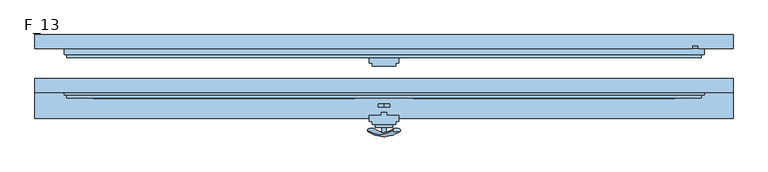
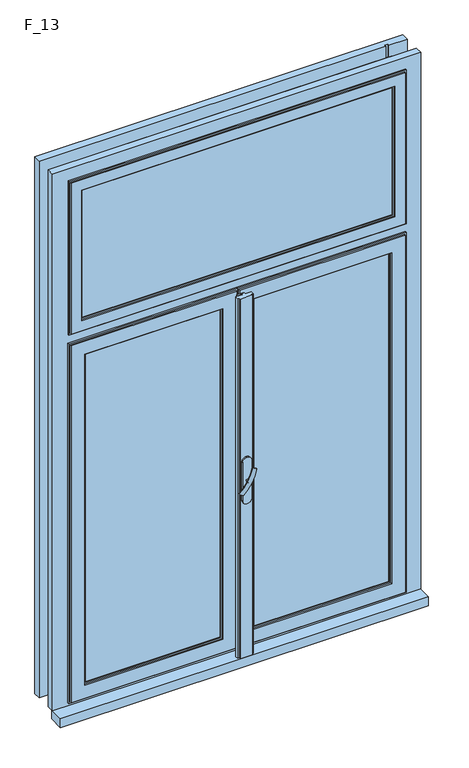
"""IFC4 building model written with IfcOpenShell, lengths in millimetres: window geometry, F_13."""

from ifc_helpers import new_model, si_unit, point, frame, frame_2d, origin, place, context, project, spatial, polyline, circle_curve, ellipse_curve, trimmed, segment, composite_curve, outline, extrude, faceted_brep, source, transform, mapped, element, save
from ifc_brep_helpers import plane_surface, revolved_surface, advanced_brep


def f_13_c3f956f2(model_context):
    return source(origin(), model_context, "Body", "SolidModel", [
        advanced_brep(
        [(-28.5497704, -90.2287724, 1428.0503471), (-14.693364, -90.2287724, 1420.0503471), (14.693364, -90.2287724, 1502.9496529), (28.5497704, -90.2287724, 1494.9496529)],
        [
            (0, 1, ellipse_curve(frame((-21.6215672, -90.2287724, 1424.0503471), z_axis=(-0.46984631039295827, 0.3420201433256777, -0.8137976813493676), x_axis=(0.8660254037844349, 0.0, -0.5000000000000066)), 8.0, 3.5)),
            (1, 0, ellipse_curve(frame((-21.6215672, -90.2287724, 1424.0503471), z_axis=(-0.46984631039295827, 0.3420201433256777, -0.8137976813493676), x_axis=(0.8660254037844349, 0.0, -0.5000000000000066)), 8.0, 3.5)),
            (2, 3, ellipse_curve(frame((21.6215672, -90.2287724, 1498.9496529), z_axis=(0.46984631039296154, 0.3420201433256599, 0.8137976813493732), x_axis=(0.8660254037844355, 0.0, -0.5000000000000056)), 8.0, 3.5)),
            (3, 2, ellipse_curve(frame((21.6215672, -90.2287724, 1498.9496529), z_axis=(0.46984631039296154, 0.3420201433256599, 0.8137976813493732), x_axis=(0.8660254037844355, 0.0, -0.5000000000000056)), 8.0, 3.5)),
            (3, 1, circle_curve(frame((6.9282032, 28.580763, 1457.5), z_axis=(0.8660254037844353, 0.0, -0.500000000000006), x_axis=(-0.1710100716628409, -0.9396926207859051, -0.29619813272603046)), 126.4344667)),
            (0, 2, circle_curve(frame((-6.9282032, 28.580763, 1465.5), z_axis=(-0.8660254037844353, 0.0, 0.500000000000006), x_axis=(-0.1710100716628409, -0.9396926207859051, -0.29619813272603046)), 126.4344667)),
        ],
        [
            plane_surface(frame((40.0926994, -87.5471681, 1389.5466142), z_axis=(-0.4698463103929582, 0.34202014332567776, -0.8137976813493677), x_axis=(-0.8660254037844352, 0.0, 0.500000000000006))),
            plane_surface(frame((82.3598097, -87.5471681, 1462.7553967), z_axis=(0.4698463103929615, 0.34202014332565983, 0.8137976813493734), x_axis=(-0.8660254037844352, 0.0, 0.500000000000006))),
            revolved_surface(trimmed(ellipse_curve(frame((-21.6215672, -90.2287724, 1424.0503471), z_axis=(-0.46984631039295827, 0.3420201433256777, -0.8137976813493676), x_axis=(0.8660254037844349, 0.0, -0.5000000000000066)), 8.0, 3.5), [point((-28.5497704, -90.2287724, 1428.0503471))], [point((-14.693364, -90.2287724, 1420.0503471))], True, "CARTESIAN"), (61.2262546, 28.580763, 1426.1510055), (-0.8660254037844353, 0.0, 0.500000000000006)),
            revolved_surface(trimmed(ellipse_curve(frame((-21.6215672, -90.2287724, 1424.0503471), z_axis=(-0.46984631039295827, 0.3420201433256777, -0.8137976813493676), x_axis=(0.8660254037844349, 0.0, -0.5000000000000066)), 8.0, 3.5), [point((-14.693364, -90.2287724, 1420.0503471))], [point((-28.5497704, -90.2287724, 1428.0503471))], True, "CARTESIAN"), (61.2262546, 28.580763, 1426.1510055), (-0.8660254037844353, 0.0, 0.500000000000006)),
        ],
        [
            (0, [[1, 2]]),
            (1, [[3, 4]]),
            (2, [[5, -1, 6, -4]]),
            (3, [[-6, -2, -5, -3]]),
        ],
    ),
        extrude(outline(composite_curve([segment(trimmed(circle_curve(frame_2d((1461.5, 0.0)), 3.5), [point((1461.5, -3.5))], [point((1461.5, 3.5))], False, "CARTESIAN"), True, "CONTINUOUS"), segment(trimmed(circle_curve(frame_2d((1461.5, 0.0)), 3.5), [point((1461.5, 3.5))], [point((1461.5, -3.5))], False, "CARTESIAN"), True, "CONTINUOUS")], self_intersect=False)), frame((0.0, -95.0, 0.0), z_axis=(0.0, 1.0, 0.0), x_axis=(0.0, 0.0, 1.0)), (0.0, 0.0, 1.0), 10.0),
        extrude(outline(composite_curve([segment(polyline([(1525.8020109, -15.0), (1395.8020109, -15.0)]), True, "CONTINUOUS"), segment(trimmed(circle_curve(frame_2d((1395.8020109, 0.0)), 15.0), [point((1395.8020109, -15.0))], [point((1395.8020109, 15.0))], False, "CARTESIAN"), True, "CONTINUOUS"), segment(polyline([(1395.8020109, 15.0), (1525.8020109, 15.0)]), True, "CONTINUOUS"), segment(trimmed(circle_curve(frame_2d((1525.8020109, 0.0)), 15.0), [point((1525.8020109, 15.0))], [point((1525.8020109, -15.0))], False, "CARTESIAN"), True, "CONTINUOUS")], self_intersect=False)), frame((0.0, -85.0, 0.0), z_axis=(0.0, 1.0, 0.0), x_axis=(0.0, 0.0, 1.0)), (0.0, 0.0, 1.0), 5.0),
        faceted_brep([(-0.5, 55.0, 2090.0), (-10.0, 55.0, 2090.0), (-10.0, 50.0, 2090.0), (-550.0, 50.0, 2090.0), (-550.0, 40.0, 2090.0), (0.0, 40.0, 2090.0), (0.0, 50.0, 2090.0), (-0.5, 50.0, 2090.0), (-0.5, 55.0, 850.0), (-0.5, 50.0, 850.0), (0.0, 50.0, 850.0), (0.0, 40.0, 850.0), (-550.0, 40.0, 850.0), (-550.0, 50.0, 850.0), (-10.0, 50.0, 850.0), (-10.0, 55.0, 850.0), (-10.0, 55.0, 860.0), (-540.0, 55.0, 860.0), (-540.0, 55.0, 2080.0), (-10.0, 55.0, 2080.0), (-50.0, 55.0, 900.0), (-50.0, 55.0, 2040.0), (-500.0, 55.0, 2040.0), (-500.0, 55.0, 900.0), (-10.0, 50.0, 2080.0), (-10.0, 50.0, 860.0), (-50.0, 50.0, 2040.0), (-50.0, 50.0, 900.0), (-55.0, 40.0, 2035.0), (-55.0, 50.0, 2035.0), (-55.0, 50.0, 905.0), (-55.0, 40.0, 905.0), (-50.0, 35.0, 2040.0), (-50.0, 40.0, 2040.0), (-50.0, 40.0, 900.0), (-50.0, 35.0, 900.0), (-5.0, 40.0, 2085.0), (-5.0, 35.0, 2085.0), (-5.0, 35.0, 855.0), (-5.0, 40.0, 855.0), (-500.0, 50.0, 900.0), (-495.0, 50.0, 905.0), (-495.0, 40.0, 905.0), (-500.0, 40.0, 900.0), (-500.0, 35.0, 900.0), (-545.0, 35.0, 855.0), (-545.0, 40.0, 855.0), (-540.0, 50.0, 860.0), (-500.0, 50.0, 2040.0), (-495.0, 50.0, 2035.0), (-495.0, 40.0, 2035.0), (-500.0, 40.0, 2040.0), (-500.0, 35.0, 2040.0), (-545.0, 35.0, 2085.0), (-545.0, 40.0, 2085.0), (-540.0, 50.0, 2080.0)], [[[0, 1, 2, 3, 4, 5, 6, 7]], [[8, 9, 10, 11, 12, 13, 14, 15]], [[1, 0, 8, 15, 16, 17, 18, 19], [20, 21, 22, 23]], [[2, 1, 19, 24]], [[15, 14, 25, 16]], [[0, 7, 9, 8]], [[26, 21, 20, 27]], [[28, 29, 30, 31]], [[32, 33, 34, 35]], [[36, 37, 38, 39]], [[6, 5, 11, 10]], [[27, 20, 23, 40]], [[31, 30, 41, 42]], [[35, 34, 43, 44]], [[39, 38, 45, 46]], [[25, 47, 17, 16]], [[40, 23, 22, 48]], [[42, 41, 49, 50]], [[44, 43, 51, 52]], [[46, 45, 53, 54]], [[13, 12, 4, 3]], [[17, 47, 55, 18]], [[21, 26, 48, 22]], [[26, 27, 40, 48], [30, 29, 49, 41]], [[29, 28, 50, 49]], [[34, 33, 51, 43], [28, 31, 42, 50]], [[33, 32, 52, 51]], [[38, 37, 53, 45], [32, 35, 44, 52]], [[37, 36, 54, 53]], [[11, 5, 4, 12], [36, 39, 46, 54]], [[6, 10, 9, 7]], [[47, 25, 14, 13, 3, 2, 24, 55]], [[18, 55, 24, 19]]]),
        faceted_brep([(0.5, 55.0, 2090.0), (0.5, 50.0, 2090.0), (0.0, 50.0, 2090.0), (0.0, 40.0, 2090.0), (550.0, 40.0, 2090.0), (550.0, 50.0, 2090.0), (10.0, 50.0, 2090.0), (10.0, 55.0, 2090.0), (0.5, 55.0, 850.0), (10.0, 55.0, 850.0), (10.0, 50.0, 850.0), (550.0, 50.0, 850.0), (550.0, 40.0, 850.0), (0.0, 40.0, 850.0), (0.0, 50.0, 850.0), (0.5, 50.0, 850.0), (10.0, 55.0, 2080.0), (540.0, 55.0, 2080.0), (540.0, 55.0, 860.0), (10.0, 55.0, 860.0), (50.0, 55.0, 2040.0), (50.0, 55.0, 900.0), (500.0, 55.0, 900.0), (500.0, 55.0, 2040.0), (10.0, 50.0, 2080.0), (10.0, 50.0, 860.0), (50.0, 50.0, 2040.0), (50.0, 50.0, 900.0), (55.0, 50.0, 2035.0), (55.0, 40.0, 2035.0), (55.0, 40.0, 905.0), (55.0, 50.0, 905.0), (50.0, 40.0, 2040.0), (50.0, 35.0, 2040.0), (50.0, 35.0, 900.0), (50.0, 40.0, 900.0), (5.0, 35.0, 2085.0), (5.0, 40.0, 2085.0), (5.0, 40.0, 855.0), (5.0, 35.0, 855.0), (500.0, 50.0, 900.0), (495.0, 40.0, 905.0), (495.0, 50.0, 905.0), (500.0, 35.0, 900.0), (500.0, 40.0, 900.0), (545.0, 40.0, 855.0), (545.0, 35.0, 855.0), (540.0, 50.0, 860.0), (500.0, 50.0, 2040.0), (495.0, 40.0, 2035.0), (495.0, 50.0, 2035.0), (500.0, 35.0, 2040.0), (500.0, 40.0, 2040.0), (545.0, 40.0, 2085.0), (545.0, 35.0, 2085.0), (540.0, 50.0, 2080.0)], [[[0, 1, 2, 3, 4, 5, 6, 7]], [[8, 9, 10, 11, 12, 13, 14, 15]], [[0, 7, 16, 17, 18, 19, 9, 8], [20, 21, 22, 23]], [[7, 6, 24, 16]], [[10, 9, 19, 25]], [[1, 0, 8, 15]], [[20, 26, 27, 21]], [[28, 29, 30, 31]], [[32, 33, 34, 35]], [[36, 37, 38, 39]], [[3, 2, 14, 13]], [[21, 27, 40, 22]], [[31, 30, 41, 42]], [[35, 34, 43, 44]], [[39, 38, 45, 46]], [[19, 18, 47, 25]], [[22, 40, 48, 23]], [[42, 41, 49, 50]], [[44, 43, 51, 52]], [[46, 45, 53, 54]], [[12, 11, 5, 4]], [[47, 18, 17, 55]], [[26, 20, 23, 48]], [[27, 26, 48, 40], [28, 31, 42, 50]], [[29, 28, 50, 49]], [[32, 35, 44, 52], [30, 29, 49, 41]], [[33, 32, 52, 51]], [[36, 39, 46, 54], [34, 33, 51, 43]], [[37, 36, 54, 53]], [[3, 13, 12, 4], [38, 37, 53, 45]], [[14, 2, 1, 15]], [[25, 47, 55, 24, 6, 5, 11, 10]], [[55, 17, 16, 24]]]),
        extrude(outline(polyline([(-55.0, 43.0), (-495.0, 43.0), (-495.0, 47.0), (-55.0, 47.0), (-55.0, 43.0)])), frame((0.0, 0.0, 905.0), z_axis=(0.0, 0.0, 1.0), x_axis=(1.0, 0.0, 0.0)), (0.0, 0.0, 1.0), 1130.0),
        extrude(outline(polyline([(495.0, 43.0), (55.0, 43.0), (55.0, 47.0), (495.0, 47.0), (495.0, 43.0)])), frame((0.0, 0.0, 905.0), z_axis=(0.0, 0.0, 1.0), x_axis=(1.0, 0.0, 0.0)), (0.0, 0.0, 1.0), 1130.0),
        extrude(outline(polyline([(5.0, 40.0), (5.0, 35.0), (25.0, 35.0), (25.0, 25.0), (20.0, 25.0), (20.0, 20.0), (-20.0, 20.0), (-20.0, 25.0), (-25.0, 25.0), (-25.0, 35.0), (-5.0, 35.0), (-5.0, 40.0), (5.0, 40.0)])), frame((0.0, 0.0, 850.0), z_axis=(0.0, 0.0, 1.0), x_axis=(1.0, 0.0, 0.0)), (0.0, 0.0, 1.0), 1240.0),
        faceted_brep([(-50.0, -20.0, 2040.0), (-50.0, -15.0, 2040.0), (-50.0, -15.0, 900.0), (-50.0, -20.0, 900.0), (-55.0, -30.0, 2035.0), (-55.0, -20.0, 2035.0), (-55.0, -20.0, 905.0), (-55.0, -30.0, 905.0), (-50.0, -35.0, 2040.0), (-50.0, -30.0, 2040.0), (-50.0, -30.0, 900.0), (-50.0, -35.0, 900.0), (-5.0, -30.0, 2085.0), (-5.0, -35.0, 2085.0), (-5.0, -35.0, 855.0), (-5.0, -30.0, 855.0), (0.0, -20.0, 2090.0), (0.0, -30.0, 2090.0), (0.0, -30.0, 850.0), (0.0, -20.0, 850.0), (-10.0, -15.0, 2080.0), (-10.0, -20.0, 2080.0), (-10.0, -20.0, 860.0), (-10.0, -15.0, 860.0), (-500.0, -15.0, 900.0), (-500.0, -20.0, 900.0), (-495.0, -20.0, 905.0), (-495.0, -30.0, 905.0), (-500.0, -30.0, 900.0), (-500.0, -35.0, 900.0), (-545.0, -35.0, 855.0), (-545.0, -30.0, 855.0), (-550.0, -30.0, 850.0), (-550.0, -20.0, 850.0), (-540.0, -20.0, 860.0), (-540.0, -15.0, 860.0), (-500.0, -15.0, 2040.0), (-500.0, -20.0, 2040.0), (-495.0, -20.0, 2035.0), (-495.0, -30.0, 2035.0), (-500.0, -30.0, 2040.0), (-500.0, -35.0, 2040.0), (-545.0, -35.0, 2085.0), (-545.0, -30.0, 2085.0), (-550.0, -30.0, 2090.0), (-550.0, -20.0, 2090.0), (-540.0, -20.0, 2080.0), (-540.0, -15.0, 2080.0)], [[[0, 1, 2, 3]], [[4, 5, 6, 7]], [[8, 9, 10, 11]], [[12, 13, 14, 15]], [[16, 17, 18, 19]], [[20, 21, 22, 23]], [[3, 2, 24, 25]], [[7, 6, 26, 27]], [[11, 10, 28, 29]], [[15, 14, 30, 31]], [[19, 18, 32, 33]], [[23, 22, 34, 35]], [[25, 24, 36, 37]], [[27, 26, 38, 39]], [[29, 28, 40, 41]], [[31, 30, 42, 43]], [[33, 32, 44, 45]], [[35, 34, 46, 47]], [[20, 23, 35, 47], [2, 1, 36, 24]], [[1, 0, 37, 36]], [[0, 3, 25, 37], [6, 5, 38, 26]], [[5, 4, 39, 38]], [[10, 9, 40, 28], [4, 7, 27, 39]], [[9, 8, 41, 40]], [[14, 13, 42, 30], [8, 11, 29, 41]], [[13, 12, 43, 42]], [[18, 17, 44, 32], [12, 15, 31, 43]], [[17, 16, 45, 44]], [[16, 19, 33, 45], [22, 21, 46, 34]], [[21, 20, 47, 46]]]),
        faceted_brep([(-0.5, -45.0, 2080.0), (-10.0, -45.0, 2080.0), (-10.0, -50.0, 2080.0), (-0.5, -50.0, 2080.0), (-0.5, -45.0, 850.0), (-0.5, -50.0, 850.0), (-10.0, -50.0, 850.0), (-10.0, -45.0, 850.0)], [[[0, 1, 2, 3]], [[4, 5, 6, 7]], [[1, 0, 4, 7]], [[2, 1, 7, 6]], [[3, 2, 6, 5]], [[0, 3, 5, 4]]]),
        extrude(outline(polyline([(-55.0, -27.0), (-495.0, -27.0), (-495.0, -23.0), (-55.0, -23.0), (-55.0, -27.0)])), frame((0.0, 0.0, 905.0), z_axis=(0.0, 0.0, 1.0), x_axis=(1.0, 0.0, 0.0)), (0.0, 0.0, 1.0), 1130.0),
        extrude(outline(polyline([(495.0, -27.0), (55.0, -27.0), (55.0, -23.0), (495.0, -23.0), (495.0, -27.0)])), frame((0.0, 0.0, 905.0), z_axis=(0.0, 0.0, 1.0), x_axis=(1.0, 0.0, 0.0)), (0.0, 0.0, 1.0), 1130.0),
        faceted_brep([(5.0, -60.0, 2090.0), (-5.0, -60.0, 2090.0), (-5.0, -65.0, 2090.0), (-25.0, -65.0, 2090.0), (-25.0, -75.0, 2090.0), (-20.0, -75.0, 2090.0), (-20.0, -80.0, 2090.0), (20.0, -80.0, 2090.0), (20.0, -75.0, 2090.0), (25.0, -75.0, 2090.0), (25.0, -65.0, 2090.0), (5.0, -65.0, 2090.0), (5.0, -60.0, 850.0), (5.0, -65.0, 850.0), (25.0, -65.0, 850.0), (25.0, -75.0, 850.0), (20.0, -75.0, 850.0), (20.0, -80.0, 850.0), (-20.0, -80.0, 850.0), (-20.0, -75.0, 850.0), (-25.0, -75.0, 850.0), (-25.0, -65.0, 850.0), (-5.0, -65.0, 850.0), (-5.0, -60.0, 850.0)], [[[0, 1, 2, 3, 4, 5, 6, 7, 8, 9, 10, 11]], [[12, 13, 14, 15, 16, 17, 18, 19, 20, 21, 22, 23]], [[1, 0, 12, 23]], [[2, 1, 23, 22]], [[3, 2, 22, 21]], [[4, 3, 21, 20]], [[5, 4, 20, 19]], [[6, 5, 19, 18]], [[7, 6, 18, 17]], [[8, 7, 17, 16]], [[9, 8, 16, 15]], [[10, 9, 15, 14]], [[11, 10, 14, 13]], [[0, 11, 13, 12]]]),
        faceted_brep([(50.0, -15.0, 2040.0), (50.0, -20.0, 2040.0), (50.0, -20.0, 900.0), (50.0, -15.0, 900.0), (55.0, -20.0, 2035.0), (55.0, -30.0, 2035.0), (55.0, -30.0, 905.0), (55.0, -20.0, 905.0), (50.0, -30.0, 2040.0), (50.0, -35.0, 2040.0), (50.0, -35.0, 900.0), (50.0, -30.0, 900.0), (5.0, -35.0, 2085.0), (5.0, -30.0, 2085.0), (5.0, -30.0, 855.0), (5.0, -35.0, 855.0), (0.0, -30.0, 2090.0), (0.0, -20.0, 2090.0), (0.0, -20.0, 850.0), (0.0, -30.0, 850.0), (10.0, -20.0, 2080.0), (10.0, -15.0, 2080.0), (10.0, -15.0, 860.0), (10.0, -20.0, 860.0), (500.0, -20.0, 900.0), (500.0, -15.0, 900.0), (495.0, -30.0, 905.0), (495.0, -20.0, 905.0), (500.0, -35.0, 900.0), (500.0, -30.0, 900.0), (545.0, -30.0, 855.0), (545.0, -35.0, 855.0), (550.0, -20.0, 850.0), (550.0, -30.0, 850.0), (540.0, -15.0, 860.0), (540.0, -20.0, 860.0), (500.0, -20.0, 2040.0), (500.0, -15.0, 2040.0), (495.0, -30.0, 2035.0), (495.0, -20.0, 2035.0), (500.0, -35.0, 2040.0), (500.0, -30.0, 2040.0), (545.0, -30.0, 2085.0), (545.0, -35.0, 2085.0), (550.0, -20.0, 2090.0), (550.0, -30.0, 2090.0), (540.0, -15.0, 2080.0), (540.0, -20.0, 2080.0)], [[[0, 1, 2, 3]], [[4, 5, 6, 7]], [[8, 9, 10, 11]], [[12, 13, 14, 15]], [[16, 17, 18, 19]], [[20, 21, 22, 23]], [[3, 2, 24, 25]], [[7, 6, 26, 27]], [[11, 10, 28, 29]], [[15, 14, 30, 31]], [[19, 18, 32, 33]], [[23, 22, 34, 35]], [[25, 24, 36, 37]], [[27, 26, 38, 39]], [[29, 28, 40, 41]], [[31, 30, 42, 43]], [[33, 32, 44, 45]], [[35, 34, 46, 47]], [[22, 21, 46, 34], [0, 3, 25, 37]], [[1, 0, 37, 36]], [[2, 1, 36, 24], [4, 7, 27, 39]], [[5, 4, 39, 38]], [[8, 11, 29, 41], [6, 5, 38, 26]], [[9, 8, 41, 40]], [[12, 15, 31, 43], [10, 9, 40, 28]], [[13, 12, 43, 42]], [[16, 19, 33, 45], [14, 13, 42, 30]], [[17, 16, 45, 44]], [[18, 17, 44, 32], [20, 23, 35, 47]], [[21, 20, 47, 46]]]),
        faceted_brep([(0.5, -45.0, 2080.0), (0.5, -50.0, 2080.0), (10.0, -50.0, 2080.0), (10.0, -45.0, 2080.0), (0.5, -45.0, 850.0), (10.0, -45.0, 850.0), (10.0, -50.0, 850.0), (0.5, -50.0, 850.0)], [[[0, 1, 2, 3]], [[4, 5, 6, 7]], [[0, 3, 5, 4]], [[3, 2, 6, 5]], [[2, 1, 7, 6]], [[1, 0, 4, 7]]]),
        extrude(outline(polyline([(600.0, -70.0), (-600.0, -70.0), (-600.0, -20.0), (600.0, -20.0), (600.0, -70.0)])), frame((0.0, 0.0, 810.0), z_axis=(0.0, 0.0, 1.0), x_axis=(1.0, 0.0, 0.0)), (0.0, 0.0, 1.0), 30.0),
        faceted_brep([(-600.0, -25.0, 2690.0), (-600.0, -1.0, 2690.0), (-600.0, -1.0, 840.0), (-600.0, -25.0, 840.0), (600.0, -1.0, 2690.0), (600.0, -1.0, 840.0), (540.0, -1.0, 840.0), (540.0, -1.0, 810.0), (-540.0, -1.0, 810.0), (-540.0, -1.0, 840.0), (-530.0, -1.0, 2630.0), (-530.0, -1.0, 2130.0), (530.0, -1.0, 2130.0), (530.0, -1.0, 2630.0), (-530.0, -1.0, 2070.0), (-530.0, -1.0, 870.0), (530.0, -1.0, 870.0), (530.0, -1.0, 2070.0), (-540.0, -25.0, 840.0), (-540.0, -20.0, 840.0), (-540.0, -25.0, 810.0), (540.0, -25.0, 810.0), (540.0, -25.0, 840.0), (600.0, -25.0, 840.0), (600.0, -25.0, 2690.0), (540.0, -25.0, 2080.0), (540.0, -25.0, 860.0), (-540.0, -25.0, 860.0), (-540.0, -25.0, 2080.0), (-540.0, -25.0, 2640.0), (540.0, -25.0, 2640.0), (540.0, -25.0, 2120.0), (-540.0, -25.0, 2120.0), (-530.0, -20.0, 2070.0), (-530.0, -20.0, 870.0), (-530.0, -20.0, 2630.0), (-530.0, -20.0, 2130.0), (530.0, -20.0, 2130.0), (530.0, -20.0, 2630.0), (530.0, -20.0, 2070.0), (530.0, -20.0, 870.0), (540.0, -20.0, 840.0), (-540.0, -20.0, 2640.0), (-540.0, -20.0, 2120.0), (540.0, -20.0, 2120.0), (540.0, -20.0, 2640.0), (540.0, -20.0, 2080.0), (-540.0, -20.0, 2080.0), (-540.0, -20.0, 860.0), (540.0, -20.0, 860.0)], [[[0, 1, 2, 3]], [[2, 1, 4, 5, 6, 7, 8, 9], [10, 11, 12, 13], [14, 15, 16, 17]], [[18, 3, 2, 9, 19]], [[3, 18, 20, 21, 22, 23, 24, 0], [25, 26, 27, 28], [29, 30, 31, 32]], [[14, 33, 34, 15]], [[10, 35, 36, 11]], [[11, 36, 37, 12]], [[13, 12, 37, 38]], [[39, 17, 16, 40]], [[4, 24, 23, 5]], [[5, 23, 22, 41, 6]], [[21, 7, 6, 41, 22]], [[20, 8, 7, 21]], [[8, 20, 18, 19, 9]], [[34, 40, 16, 15]], [[33, 14, 17, 39]], [[42, 43, 44, 45], [36, 35, 38, 37]], [[46, 47, 48, 49], [33, 39, 40, 34]], [[48, 47, 28, 27]], [[42, 29, 32, 43]], [[32, 31, 44, 43]], [[31, 30, 45, 44]], [[25, 46, 49, 26]], [[25, 28, 47, 46]], [[27, 26, 49, 48]], [[1, 0, 24, 4]], [[35, 10, 13, 38]], [[30, 29, 42, 45]]]),
        faceted_brep([(-600.0, 74.0, 840.0), (600.0, 74.0, 840.0), (600.0, 50.0, 840.0), (540.0, 50.0, 840.0), (540.0, 55.0, 840.0), (530.0, 55.0, 840.0), (530.0, 50.0, 840.0), (-530.0, 50.0, 840.0), (-530.0, 55.0, 840.0), (-540.0, 55.0, 840.0), (-540.0, 50.0, 840.0), (-600.0, 50.0, 840.0), (-600.0, 50.0, 2690.0), (-600.0, 74.0, 2690.0), (-540.0, 50.0, 2080.0), (540.0, 50.0, 2080.0), (600.0, 50.0, 2690.0), (540.0, 50.0, 2690.0), (540.0, 50.0, 2120.0), (-540.0, 50.0, 2120.0), (-540.0, 50.0, 2640.0), (530.0, 50.0, 2640.0), (530.0, 50.0, 2690.0), (600.0, 74.0, 2690.0), (530.0, 74.0, 2070.0), (-530.0, 74.0, 2070.0), (-530.0, 74.0, 870.0), (530.0, 74.0, 870.0), (530.0, 74.0, 2630.0), (-530.0, 74.0, 2630.0), (-530.0, 74.0, 2130.0), (530.0, 74.0, 2130.0), (-530.0, 55.0, 2630.0), (-530.0, 55.0, 2130.0), (-530.0, 55.0, 2070.0), (-530.0, 55.0, 870.0), (530.0, 55.0, 2130.0), (530.0, 55.0, 2630.0), (530.0, 55.0, 2070.0), (530.0, 55.0, 870.0), (540.0, 55.0, 2080.0), (-540.0, 55.0, 2080.0), (-530.0, 55.0, 860.0), (530.0, 55.0, 860.0), (540.0, 55.0, 2690.0), (530.0, 55.0, 2690.0), (530.0, 55.0, 2640.0), (-540.0, 55.0, 2640.0), (-540.0, 55.0, 2120.0), (540.0, 55.0, 2120.0), (-530.0, 50.0, 860.0), (530.0, 50.0, 860.0)], [[[0, 1, 2, 3, 4, 5, 6, 7, 8, 9, 10, 11]], [[0, 11, 12, 13]], [[12, 11, 10, 14, 15, 3, 2, 16, 17, 18, 19, 20, 21, 22]], [[0, 13, 23, 1], [24, 25, 26, 27], [28, 29, 30, 31]], [[30, 29, 32, 33]], [[26, 25, 34, 35]], [[36, 31, 30, 33]], [[28, 31, 36, 37]], [[38, 24, 27, 39]], [[24, 38, 34, 25]], [[27, 26, 35, 39]], [[23, 16, 2, 1]], [[5, 4, 40, 41, 9, 8, 42, 43], [39, 35, 34, 38]], [[44, 45, 46, 47, 48, 49], [36, 33, 32, 37]], [[10, 9, 41, 14]], [[20, 19, 48, 47]], [[18, 49, 48, 19]], [[4, 3, 15, 40]], [[17, 44, 49, 18]], [[41, 40, 15, 14]], [[7, 50, 42, 8]], [[42, 50, 51, 43]], [[43, 51, 6, 5]], [[50, 7, 6, 51]], [[23, 13, 12, 22, 45, 44, 17, 16]], [[22, 21, 46, 45]], [[47, 46, 21, 20]], [[28, 37, 32, 29]]]),
        extrude(outline(polyline([(505.0, 43.0), (-505.0, 43.0), (-505.0, 47.0), (505.0, 47.0), (505.0, 43.0)])), frame((0.0, 0.0, 2165.0), z_axis=(0.0, 0.0, 1.0), x_axis=(1.0, 0.0, 0.0)), (0.0, 0.0, 1.0), 440.0),
        faceted_brep([(510.0, 50.0, 2610.0), (510.0, 55.0, 2610.0), (510.0, 55.0, 2160.0), (510.0, 50.0, 2160.0), (540.0, 55.0, 2130.0), (-540.0, 55.0, 2130.0), (-540.0, 55.0, 2640.0), (540.0, 55.0, 2640.0), (-510.0, 55.0, 2610.0), (-510.0, 55.0, 2160.0), (-510.0, 50.0, 2160.0), (-510.0, 50.0, 2610.0), (505.0, 50.0, 2605.0), (-505.0, 50.0, 2605.0), (-505.0, 50.0, 2165.0), (505.0, 50.0, 2165.0), (505.0, 40.0, 2605.0), (505.0, 40.0, 2165.0), (-505.0, 40.0, 2165.0), (510.0, 40.0, 2610.0), (-510.0, 40.0, 2610.0), (-510.0, 40.0, 2160.0), (510.0, 40.0, 2160.0), (-505.0, 40.0, 2605.0), (510.0, 35.0, 2610.0), (510.0, 35.0, 2160.0), (-510.0, 35.0, 2160.0), (545.0, 35.0, 2645.0), (-545.0, 35.0, 2645.0), (-545.0, 35.0, 2125.0), (545.0, 35.0, 2125.0), (-510.0, 35.0, 2610.0), (550.0, 50.0, 2650.0), (550.0, 40.0, 2650.0), (550.0, 40.0, 2120.0), (550.0, 50.0, 2120.0), (-550.0, 40.0, 2650.0), (-550.0, 40.0, 2120.0), (545.0, 40.0, 2125.0), (-545.0, 40.0, 2125.0), (-545.0, 40.0, 2645.0), (545.0, 40.0, 2645.0), (-550.0, 50.0, 2120.0), (-550.0, 50.0, 2650.0), (540.0, 50.0, 2640.0), (-540.0, 50.0, 2640.0), (-540.0, 50.0, 2130.0), (540.0, 50.0, 2130.0)], [[[0, 1, 2, 3]], [[4, 5, 6, 7], [1, 8, 9, 2]], [[3, 2, 9, 10]], [[3, 10, 11, 0], [12, 13, 14, 15]], [[16, 12, 15, 17]], [[17, 15, 14, 18]], [[19, 20, 21, 22], [17, 18, 23, 16]], [[24, 19, 22, 25]], [[25, 22, 21, 26]], [[27, 28, 29, 30], [25, 26, 31, 24]], [[32, 33, 34, 35]], [[33, 36, 37, 34], [38, 39, 40, 41]], [[35, 34, 37, 42]], [[35, 42, 43, 32], [44, 45, 46, 47]], [[7, 44, 47, 4]], [[4, 47, 46, 5]], [[10, 9, 8, 11]], [[18, 14, 13, 23]], [[26, 21, 20, 31]], [[42, 37, 36, 43]], [[5, 46, 45, 6]], [[39, 29, 28, 40]], [[38, 30, 29, 39]], [[41, 27, 30, 38]], [[11, 8, 1, 0]], [[23, 13, 12, 16]], [[31, 20, 19, 24]], [[43, 36, 33, 32]], [[6, 45, 44, 7]], [[40, 28, 27, 41]]]),
        extrude(outline(polyline([(505.0, -27.0), (-505.0, -27.0), (-505.0, -23.0), (505.0, -23.0), (505.0, -27.0)])), frame((0.0, 0.0, 2165.0), z_axis=(0.0, 0.0, 1.0), x_axis=(1.0, 0.0, 0.0)), (0.0, 0.0, 1.0), 440.0),
        faceted_brep([(510.0, -20.0, 2610.0), (510.0, -15.0, 2610.0), (510.0, -15.0, 2160.0), (510.0, -20.0, 2160.0), (540.0, -15.0, 2130.0), (-540.0, -15.0, 2130.0), (-540.0, -15.0, 2640.0), (540.0, -15.0, 2640.0), (-510.0, -15.0, 2610.0), (-510.0, -15.0, 2160.0), (-510.0, -20.0, 2160.0), (-510.0, -20.0, 2610.0), (505.0, -20.0, 2605.0), (-505.0, -20.0, 2605.0), (-505.0, -20.0, 2165.0), (505.0, -20.0, 2165.0), (505.0, -30.0, 2605.0), (505.0, -30.0, 2165.0), (-505.0, -30.0, 2165.0), (510.0, -30.0, 2610.0), (-510.0, -30.0, 2610.0), (-510.0, -30.0, 2160.0), (510.0, -30.0, 2160.0), (-505.0, -30.0, 2605.0), (510.0, -35.0, 2610.0), (510.0, -35.0, 2160.0), (-510.0, -35.0, 2160.0), (545.0, -35.0, 2645.0), (-545.0, -35.0, 2645.0), (-545.0, -35.0, 2125.0), (545.0, -35.0, 2125.0), (-510.0, -35.0, 2610.0), (550.0, -20.0, 2650.0), (550.0, -30.0, 2650.0), (550.0, -30.0, 2120.0), (550.0, -20.0, 2120.0), (-550.0, -30.0, 2650.0), (-550.0, -30.0, 2120.0), (545.0, -30.0, 2125.0), (-545.0, -30.0, 2125.0), (-545.0, -30.0, 2645.0), (545.0, -30.0, 2645.0), (-550.0, -20.0, 2120.0), (-550.0, -20.0, 2650.0), (540.0, -20.0, 2640.0), (-540.0, -20.0, 2640.0), (-540.0, -20.0, 2130.0), (540.0, -20.0, 2130.0)], [[[0, 1, 2, 3]], [[4, 5, 6, 7], [1, 8, 9, 2]], [[3, 2, 9, 10]], [[3, 10, 11, 0], [12, 13, 14, 15]], [[16, 12, 15, 17]], [[17, 15, 14, 18]], [[19, 20, 21, 22], [17, 18, 23, 16]], [[24, 19, 22, 25]], [[25, 22, 21, 26]], [[27, 28, 29, 30], [25, 26, 31, 24]], [[32, 33, 34, 35]], [[33, 36, 37, 34], [38, 39, 40, 41]], [[35, 34, 37, 42]], [[35, 42, 43, 32], [44, 45, 46, 47]], [[7, 44, 47, 4]], [[4, 47, 46, 5]], [[10, 9, 8, 11]], [[18, 14, 13, 23]], [[26, 21, 20, 31]], [[42, 37, 36, 43]], [[5, 46, 45, 6]], [[39, 29, 28, 40]], [[38, 30, 29, 39]], [[41, 27, 30, 38]], [[11, 8, 1, 0]], [[23, 13, 12, 16]], [[31, 20, 19, 24]], [[43, 36, 33, 32]], [[6, 45, 44, 7]], [[40, 28, 27, 41]]]),
    ])


if __name__ == "__main__":
    model = new_model("IFC4")
    model_context = context("Model", 3, world=origin())
    ifc_project = project(units=[si_unit("LENGTHUNIT", "METRE", prefix="MILLI")], contexts=[model_context])
    site = spatial("IfcSite", under=ifc_project)
    building = spatial("IfcBuilding", under=site)
    placement = place(None, origin())
    f_13_shape = f_13_c3f956f2(model_context)
    element("IfcWindow", 1, ObjectType="F_13", at=placement, inside=building, context=model_context, shape_type="MappedRepresentation", body=[
        mapped(f_13_shape, transform((0.0, 0.0, 0.0), x_axis=(1.0, 0.0, 0.0), y_axis=(0.0, 1.0, 0.0), z_axis=(0.0, 0.0, 1.0))),
    ])
    save(model, "model.ifc")
